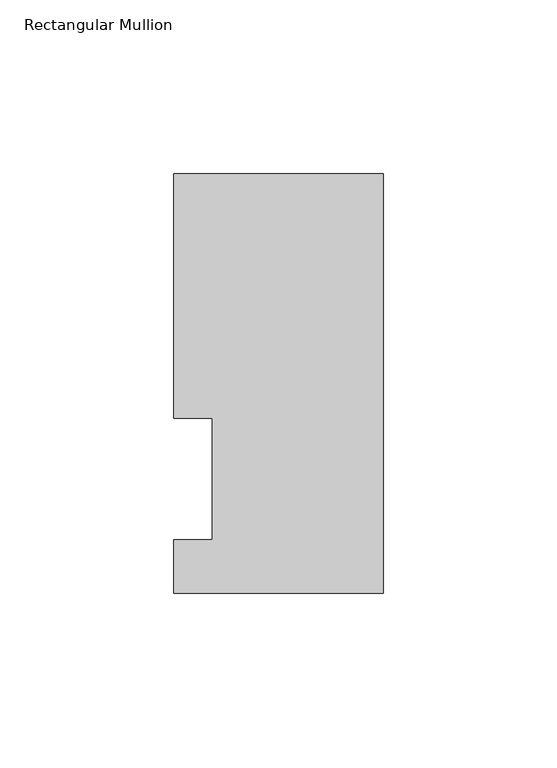
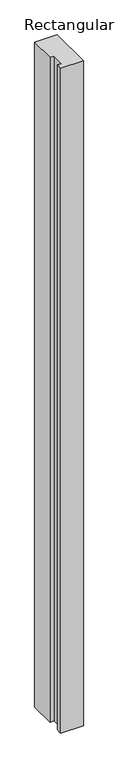
"""IFC4 building model written with IfcOpenShell, lengths in millimetres: member geometry, Rectangular Mullion."""

from ifc_helpers import new_model, si_unit, frame, origin, place, context, project, spatial, polyline, outline, extrude, source, transform, mapped, element, save


def rectangular_mullion_601663b7(model_context):
    return source(origin(), model_context, "Body", "SweptSolid", [
        extrude(outline(polyline([(0.0, 117.503575), (0.0, -3.298825), (-60.325, -3.298825), (-60.325, 12.144375), (-49.2125, 12.144375), (-49.2125, 47.069375), (-60.325, 47.069375), (-60.325, 117.503575), (0.0, 117.503575)])), frame((0.0, 0.0, -1879.6), z_axis=(0.0, 0.0, 1.0), x_axis=(1.0, 0.0, 0.0)), (0.0, 0.0, 1.0), 1879.6),
    ])


if __name__ == "__main__":
    model = new_model("IFC4")
    model_context = context("Model", 3, world=origin())
    ifc_project = project(units=[si_unit("LENGTHUNIT", "METRE", prefix="MILLI")], contexts=[model_context])
    site = spatial("IfcSite", under=ifc_project)
    building = spatial("IfcBuilding", under=site)
    placement = place(None, origin())
    rectangular_mullion_shape = rectangular_mullion_601663b7(model_context)
    element("IfcMember", 1, ObjectType="Rectangular Mullion", at=placement, inside=building, context=model_context, shape_type="MappedRepresentation", body=[
        mapped(rectangular_mullion_shape, transform((0.0, 0.0, 0.0), x_axis=(1.0, 0.0, 0.0), y_axis=(0.0, 1.0, 0.0), z_axis=(0.0, 0.0, 1.0))),
    ])
    save(model, "model.ifc")
